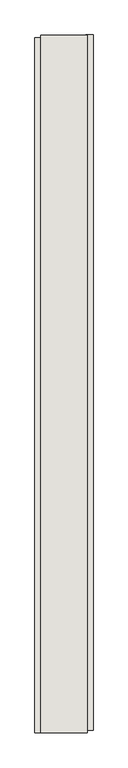
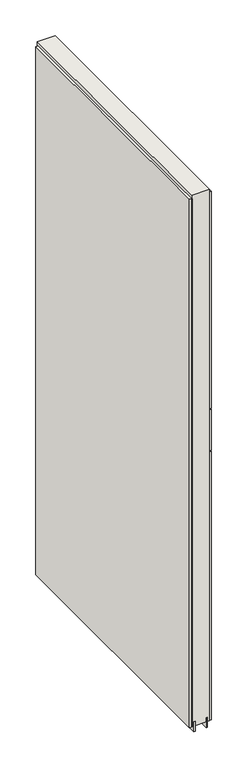
"""IFC4 building model written with IfcOpenShell, lengths in millimetres: wall geometry."""

from ifc_helpers import new_model, si_unit, frame, origin, place, context, project, spatial, polyline, outline, extrude, source, transform, mapped, element, save


def wall_18975905(model_context):
    return source(origin(), model_context, "Body", "SweptSolid", [
        extrude(outline(polyline([(45874.342211, -40633.0906666), (45874.342211, -40630.5506666), (45876.882211, -40630.5506666), (45876.882211, -40633.0906666), (45874.342211, -40633.0906666)])), frame((0.0, 0.0, 4419.6), z_axis=(0.0, 0.0, 1.0), x_axis=(1.0, 0.0, 0.0)), (0.0, 0.0, 1.0), 2.54),
        extrude(outline(polyline([(45926.412211, -40630.0875484), (45926.412211, -41845.2875564), (45913.712211, -41845.2875564), (45913.712211, -40630.0875484), (45926.412211, -40630.0875484)])), frame((0.0, 0.0, 5945.6000722), z_axis=(0.0, 0.0, 1.0), x_axis=(1.0, 0.0, 0.0)), (0.0, 0.0, 1.0), 1044.449905),
        extrude(outline(polyline([(45926.412211, -40630.0875484), (45926.412211, -41845.2875564), (45913.712211, -41845.2875564), (45913.712211, -40630.0875484), (45926.412211, -40630.0875484)])), frame((0.0, 0.0, 5742.3999706), z_axis=(0.0, 0.0, 1.0), x_axis=(1.0, 0.0, 0.0)), (0.0, 0.0, 1.0), 199.2000512),
        extrude(outline(polyline([(45926.412211, -40630.0875484), (45926.412211, -41845.2875564), (45913.712211, -41845.2875564), (45913.712211, -40630.0875484), (45926.412211, -40630.0875484)])), frame((0.0, 0.0, 4445.0), z_axis=(0.0, 0.0, 1.0), x_axis=(1.0, 0.0, 0.0)), (0.0, 0.0, 1.0), 1293.400004),
        extrude(outline(polyline([(45824.812211, -41850.2174932), (45824.812211, -40635.0174852), (45837.512211, -40635.0174852), (45837.512211, -41850.2174932), (45824.812211, -41850.2174932)])), frame((0.0, 0.0, 4445.0), z_axis=(0.0, 0.0, 1.0), x_axis=(1.0, 0.0, 0.0)), (0.0, 0.0, 1.0), 2545.0498756),
        extrude(outline(polyline([(45900.6959556, -41849.7525208), (45900.6959556, -40630.5525208), (45905.774711, -40630.5525208), (45905.774711, -41849.7525208), (45900.6959556, -41849.7525208)])), frame((0.0, 0.0, 4418.6602), z_axis=(0.0, 0.0, 1.0), x_axis=(1.0, 0.0, 0.0)), (0.0, 0.0, 1.0), 47.625),
        extrude(outline(polyline([(45900.6959556, -41849.7525208), (45900.6959556, -40630.5525208), (45905.774711, -40630.5525208), (45905.774711, -41849.7525208), (45900.6959556, -41849.7525208)])), frame((0.0, 0.0, 4418.6602), z_axis=(0.0, 0.0, 1.0), x_axis=(1.0, 0.0, 0.0)), (0.0, 0.0, 1.0), 47.625),
        extrude(outline(polyline([(45850.5315652, -40630.5525208), (45850.5315652, -41849.7525208), (45845.449711, -41849.7525208), (45845.449711, -40630.5525208), (45850.5315652, -40630.5525208)])), frame((0.0, 0.0, 4418.6602), z_axis=(0.0, 0.0, 1.0), x_axis=(1.0, 0.0, 0.0)), (0.0, 0.0, 1.0), 47.625),
        extrude(outline(polyline([(45850.5315652, -40630.5525208), (45850.5315652, -41849.7525208), (45845.449711, -41849.7525208), (45845.449711, -40630.5525208), (45850.5315652, -40630.5525208)])), frame((0.0, 0.0, 4418.6602), z_axis=(0.0, 0.0, 1.0), x_axis=(1.0, 0.0, 0.0)), (0.0, 0.0, 1.0), 47.625),
        extrude(outline(polyline([(45916.2391808, -41849.7525208), (45834.9604254, -41849.7525208), (45834.9604254, -40630.5525208), (45916.2391808, -40630.5525208), (45916.2391808, -41849.7525208)])), frame((0.0, 0.0, 4445.0), z_axis=(0.0, 0.0, 1.0), x_axis=(1.0, 0.0, 0.0)), (0.0, 0.0, 1.0), 2562.4536762),
    ])


if __name__ == "__main__":
    model = new_model("IFC4")
    model_context = context("Model", 3, world=origin())
    ifc_project = project(units=[si_unit("LENGTHUNIT", "METRE", prefix="MILLI")], contexts=[model_context])
    site = spatial("IfcSite", under=ifc_project)
    building = spatial("IfcBuilding", under=site)
    placement = place(None, origin())
    wall_shape = wall_18975905(model_context)
    element("IfcWall", 1, at=placement, inside=building, context=model_context, shape_type="MappedRepresentation", body=[
        mapped(wall_shape, transform((0.0, 0.0, 0.0), x_axis=(1.0, 0.0, 0.0), y_axis=(0.0, 1.0, 0.0), z_axis=(0.0, 0.0, 1.0))),
    ])
    save(model, "model.ifc")
